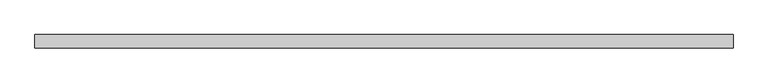
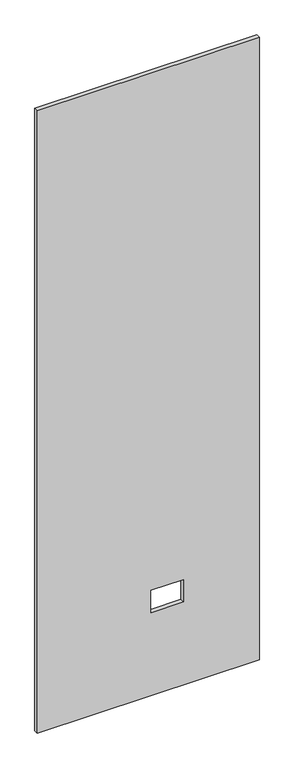
"""IFC4 building model written with IfcOpenShell, lengths in millimetres: proxy geometry."""

from ifc_helpers import new_model, si_unit, frame, origin, place, context, project, spatial, polyline, outline, extrude, source, transform, mapped, element, save


def specialty_equipment_e51d192d(model_context):
    return source(origin(), model_context, "Body", "SweptSolid", [
        extrude(outline(polyline([(2999.5367217, -506.1204), (3.175, -506.1204), (3.175, 506.1204), (2999.5367217, 506.1204), (2999.5367217, -506.1204)]), holes=[polyline([(402.3868, 160.655), (402.3868, 12.065), (509.0668, 12.065), (509.0668, 160.655), (402.3868, 160.655)])]), frame((0.0, -9.525, 0.0), z_axis=(0.0, 1.0, 0.0), x_axis=(0.0, 0.0, 1.0)), (0.0, 0.0, 1.0), 19.05),
    ])


if __name__ == "__main__":
    model = new_model("IFC4")
    model_context = context("Model", 3, world=origin())
    ifc_project = project(units=[si_unit("LENGTHUNIT", "METRE", prefix="MILLI")], contexts=[model_context])
    site = spatial("IfcSite", under=ifc_project)
    building = spatial("IfcBuilding", under=site)
    placement = place(None, origin())
    specialty_equipment_shape = specialty_equipment_e51d192d(model_context)
    element("IfcBuildingElementProxy", 1, Name="Specialty Equipment", at=placement, inside=building, context=model_context, shape_type="MappedRepresentation", body=[
        mapped(specialty_equipment_shape, transform((0.0, 0.0, 0.0), x_axis=(1.0, 0.0, 0.0), y_axis=(0.0, 1.0, 0.0), z_axis=(0.0, 0.0, 1.0))),
    ])
    save(model, "model.ifc")
